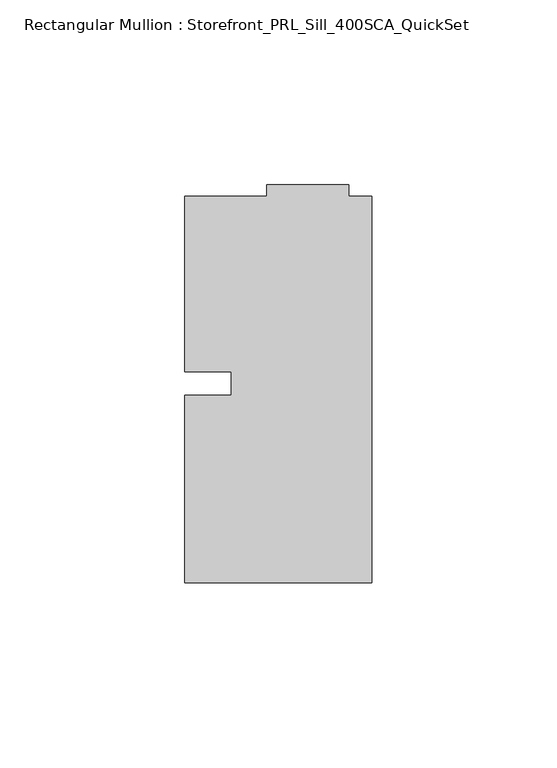
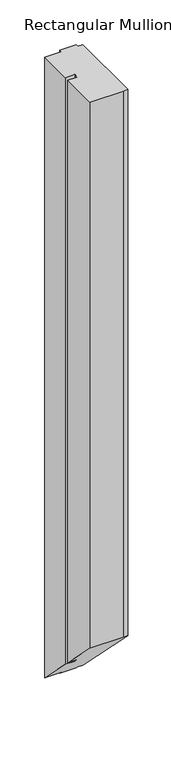
"""IFC4 building model written with IfcOpenShell, lengths in millimetres: member geometry, Rectangular Mullion : Storefront_PRL_Sill_400SCA_QuickSet."""

from ifc_helpers import new_model, si_unit, origin, place, context, project, spatial, faceted_brep, source, transform, mapped, element, save


def rectangular_mullion_storefront_prl_sill_400sca_quickset_223cd5da(model_context):
    return source(origin(), model_context, "Body", "Brep", [
        faceted_brep([(-38.1, -3.175, 0.0), (-50.8, -3.175, 0.0), (-50.8, -53.975, 0.0), (-6.35, -53.975, 0.0), (0.0, -53.975, 0.0), (0.0, 50.8, 0.0), (-6.35, 50.8, 0.0), (-6.35, 53.975, 0.0), (-28.575, 53.975, 0.0), (-28.575, 50.8, 0.0), (-50.8, 50.8, 0.0), (-50.8, 3.175, 0.0), (-38.1, 3.175, 0.0), (-38.1, -3.175, -823.3833333), (-50.8, -3.175, -823.3833333), (-50.8, -53.975, -772.5833333), (-6.35, -53.975, -772.5833333), (0.0, -53.975, -772.5833333), (0.0, 50.8, -877.3583333), (-6.35, 50.8, -877.3583333), (-6.35, 53.975, -880.5333333), (-28.575, 53.975, -880.5333333), (-28.575, 50.8, -877.3583333), (-50.8, 50.8, -877.3583333), (-50.8, 3.175, -829.7333333), (-38.1, 3.175, -829.7333333)], [[[0, 1, 2, 3, 4, 5, 6, 7, 8, 9, 10, 11, 12]], [[1, 0, 13, 14]], [[2, 1, 14, 15]], [[3, 2, 15, 16]], [[4, 3, 16, 17]], [[5, 4, 17, 18]], [[6, 5, 18, 19]], [[7, 6, 19, 20]], [[8, 7, 20, 21]], [[9, 8, 21, 22]], [[10, 9, 22, 23]], [[11, 10, 23, 24]], [[12, 11, 24, 25]], [[0, 12, 25, 13]], [[13, 25, 24, 23, 22, 21, 20, 19, 18, 17, 16, 15, 14]]]),
    ])


if __name__ == "__main__":
    model = new_model("IFC4")
    model_context = context("Model", 3, world=origin())
    ifc_project = project(units=[si_unit("LENGTHUNIT", "METRE", prefix="MILLI")], contexts=[model_context])
    site = spatial("IfcSite", under=ifc_project)
    building = spatial("IfcBuilding", under=site)
    placement = place(None, origin())
    rectangular_mullion_storefront_prl_sill_400sca_quickset_shape = rectangular_mullion_storefront_prl_sill_400sca_quickset_223cd5da(model_context)
    element("IfcMember", 1, ObjectType="Rectangular Mullion : Storefront_PRL_Sill_400SCA_QuickSet", at=placement, inside=building, context=model_context, shape_type="MappedRepresentation", body=[
        mapped(rectangular_mullion_storefront_prl_sill_400sca_quickset_shape, transform((0.0, 0.0, 0.0), x_axis=(1.0, 0.0, 0.0), y_axis=(0.0, 1.0, 0.0), z_axis=(0.0, 0.0, 1.0))),
    ])
    save(model, "model.ifc")
